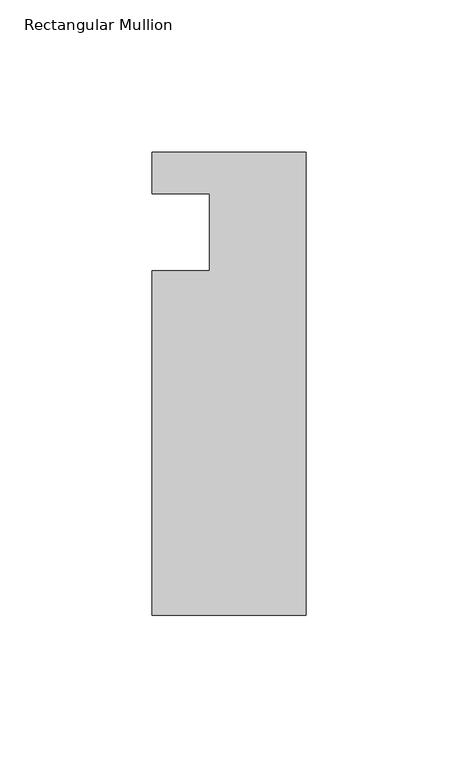
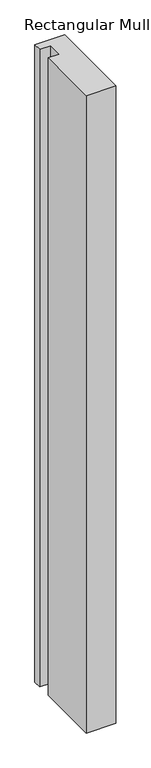
"""IFC4 building model written with IfcOpenShell, lengths in millimetres: member geometry, Rectangular Mullion."""

from ifc_helpers import new_model, si_unit, frame, origin, place, context, project, spatial, polyline, outline, extrude, source, transform, mapped, element, save


def rectangular_mullion_a2d2021c(model_context):
    return source(origin(), model_context, "Body", "SweptSolid", [
        extrude(outline(polyline([(-50.8, 13.6728928), (0.0, 13.6728928), (0.0, -138.7271072), (-50.8, -138.7271072), (-50.8, -25.4), (-31.75, -25.4), (-31.75, 0.0), (-50.8, 0.0), (-50.8, 13.6728928)])), frame((0.0, 0.0, -1155.7), z_axis=(0.0, 0.0, 1.0), x_axis=(1.0, 0.0, 0.0)), (0.0, 0.0, 1.0), 1155.7),
    ])


if __name__ == "__main__":
    model = new_model("IFC4")
    model_context = context("Model", 3, world=origin())
    ifc_project = project(units=[si_unit("LENGTHUNIT", "METRE", prefix="MILLI")], contexts=[model_context])
    site = spatial("IfcSite", under=ifc_project)
    building = spatial("IfcBuilding", under=site)
    placement = place(None, origin())
    rectangular_mullion_shape = rectangular_mullion_a2d2021c(model_context)
    element("IfcMember", 1, ObjectType="Rectangular Mullion", at=placement, inside=building, context=model_context, shape_type="MappedRepresentation", body=[
        mapped(rectangular_mullion_shape, transform((0.0, 0.0, 0.0), x_axis=(1.0, 0.0, 0.0), y_axis=(0.0, 1.0, 0.0), z_axis=(0.0, 0.0, 1.0))),
    ])
    save(model, "model.ifc")
